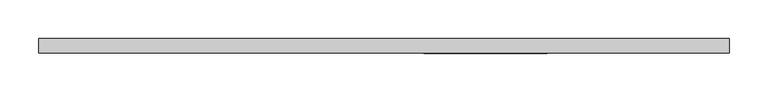
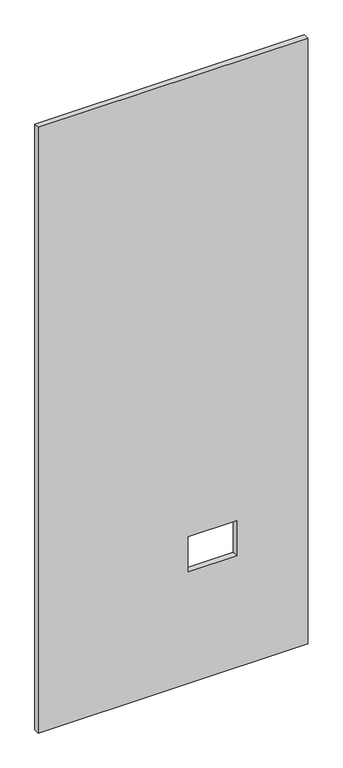
"""IFC4 building model written with IfcOpenShell, lengths in millimetres: proxy geometry."""

from ifc_helpers import new_model, si_unit, frame, origin, place, context, project, spatial, polyline, outline, extrude, source, transform, mapped, element, save


def specialty_equipment_cdda885c(model_context):
    return source(origin(), model_context, "Body", "SweptSolid", [
        extrude(outline(polyline([(2130.425, 447.7193698), (2130.425, -447.7193698), (3.175, -447.7193698), (3.175, 447.7193698), (2130.425, 447.7193698)]), holes=[polyline([(518.9474, 211.8868), (395.4526, 211.8868), (395.4526, 51.3588), (518.9474, 51.3588), (518.9474, 211.8868)])]), frame((0.0, -9.525, 0.0), z_axis=(0.0, 1.0, 0.0), x_axis=(0.0, 0.0, 1.0)), (0.0, 0.0, 1.0), 19.05),
    ])


if __name__ == "__main__":
    model = new_model("IFC4")
    model_context = context("Model", 3, world=origin())
    ifc_project = project(units=[si_unit("LENGTHUNIT", "METRE", prefix="MILLI")], contexts=[model_context])
    site = spatial("IfcSite", under=ifc_project)
    building = spatial("IfcBuilding", under=site)
    placement = place(None, origin())
    specialty_equipment_shape = specialty_equipment_cdda885c(model_context)
    element("IfcBuildingElementProxy", 1, Name="Specialty Equipment", at=placement, inside=building, context=model_context, shape_type="MappedRepresentation", body=[
        mapped(specialty_equipment_shape, transform((0.0, 0.0, 0.0), x_axis=(1.0, 0.0, 0.0), y_axis=(0.0, 1.0, 0.0), z_axis=(0.0, 0.0, 1.0))),
    ])
    save(model, "model.ifc")
